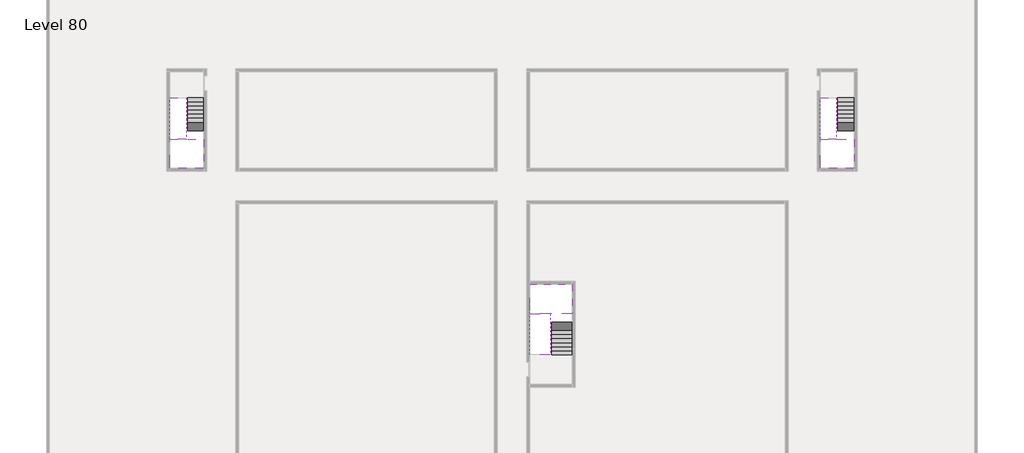
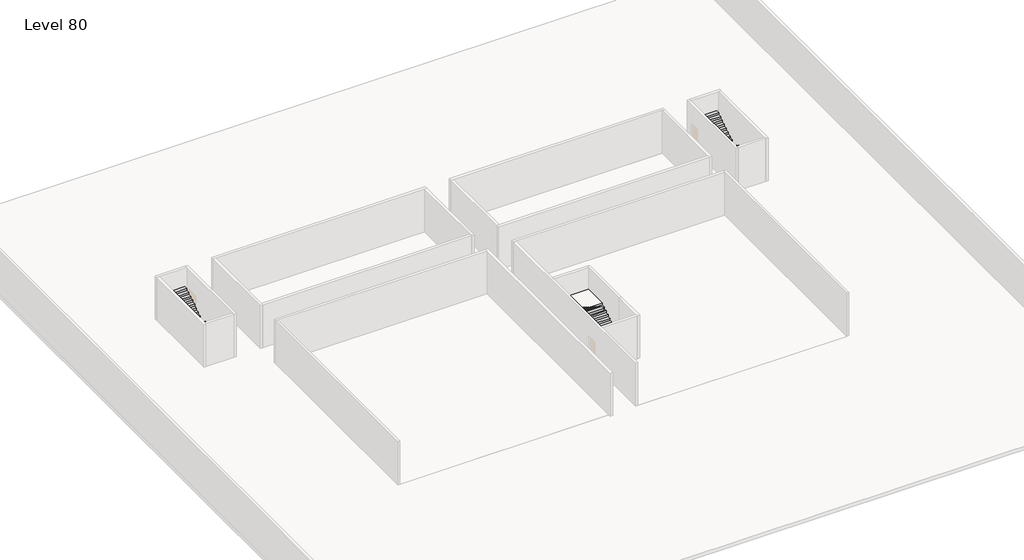
# One storey, part 2 of 2: 6 stair flights, 3 slabs.
"""IFC4 building model written with IfcOpenShell, lengths in millimetres."""

from ifc_helpers import new_model, si_unit, origin, place, context, project, spatial, faceted_brep, element, save

model = new_model("IFC4")

# Units and contexts
model_context = context("Model", 3, world=origin())
ifc_project = project(units=[si_unit("LENGTHUNIT", "METRE", prefix="MILLI")], contexts=[model_context])

# Site, building, storey
site = spatial("IfcSite", under=ifc_project)
building = spatial("IfcBuilding", under=site)
storey = spatial("IfcBuildingStorey", under=building, Name="Level 80", Elevation=300200.0)

# Slabs
placement = place(None, origin())
element("IfcSlab", 1, at=placement, inside=storey, context=model_context, shape_type="Brep", body=[
    faceted_brep([(3190.1058784, -28518.09644, 302100.0), (2090.1058784, -28518.09644, 302100.0), (1990.1058784, -28518.09644, 302100.0), (890.1058784, -28518.09644, 302100.0), (890.1058784, -28718.7100038, 302100.0), (890.1058784, -30518.09644, 302100.0), (3190.1058784, -30518.09644, 302100.0), (3190.1058784, -28597.4828763, 302100.0), (3190.1058784, -28518.09644, 301927.2727273), (3190.1058784, -28518.09644, 301751.0278478), (2090.1058784, -28518.09644, 301751.0278478), (2090.1058784, -28518.09644, 301800.0), (1990.1058784, -28518.09644, 301800.0), (1990.1058784, -28518.09644, 301923.7551205), (890.1058784, -28518.09644, 301923.7551205), (890.1058784, -28718.7100038, 301800.0), (890.1058784, -30518.09644, 301800.0), (3190.1058784, -30518.09644, 301800.0), (3190.1058784, -28597.4828763, 301800.0), (1990.1058784, -28718.7100038, 301800.0), (2090.1058784, -28597.4828763, 301800.0)], [[[0, 1, 2, 3, 4, 5, 6, 7]], [[1, 0, 8, 9, 10, 11]], [[2, 1, 11, 12, 13]], [[3, 2, 13, 14]], [[3, 14, 15, 16, 5, 4]], [[6, 5, 16, 17]], [[9, 8, 0, 7, 6, 17, 18]], [[19, 12, 11, 20, 18, 17, 16, 15]], [[12, 19, 13]], [[18, 20, 10, 9]], [[20, 11, 10]], [[19, 15, 14, 13]]]),
])
element("IfcSlab", 2, at=placement, inside=storey, context=model_context, shape_type="Brep", body=[
    faceted_brep([(47490.1058784, -28518.09644, 302100.0), (46390.1058784, -28518.09644, 302100.0), (46290.1058784, -28518.09644, 302100.0), (45190.1058784, -28518.09644, 302100.0), (45190.1058784, -28718.7100038, 302100.0), (45190.1058784, -30518.09644, 302100.0), (47490.1058784, -30518.09644, 302100.0), (47490.1058784, -28597.4828763, 302100.0), (47490.1058784, -28518.09644, 301927.2727273), (47490.1058784, -28518.09644, 301751.0278478), (46390.1058784, -28518.09644, 301751.0278478), (46390.1058784, -28518.09644, 301800.0), (46290.1058784, -28518.09644, 301800.0), (46290.1058784, -28518.09644, 301923.7551205), (45190.1058784, -28518.09644, 301923.7551205), (45190.1058784, -28718.7100038, 301800.0), (45190.1058784, -30518.09644, 301800.0), (47490.1058784, -30518.09644, 301800.0), (47490.1058784, -28597.4828763, 301800.0), (46290.1058784, -28718.7100038, 301800.0), (46390.1058784, -28597.4828763, 301800.0)], [[[0, 1, 2, 3, 4, 5, 6, 7]], [[1, 0, 8, 9, 10, 11]], [[2, 1, 11, 12, 13]], [[3, 2, 13, 14]], [[3, 14, 15, 16, 5, 4]], [[6, 5, 16, 17]], [[9, 8, 0, 7, 6, 17, 18]], [[19, 12, 11, 20, 18, 17, 16, 15]], [[12, 19, 13]], [[18, 20, 10, 9]], [[20, 11, 10]], [[19, 15, 14, 13]]]),
])
element("IfcSlab", 3, at=placement, inside=storey, context=model_context, shape_type="Brep", body=[
    faceted_brep([(26890.1058784, -40418.09644, 302100.0), (28290.1058784, -40418.09644, 302100.0), (28290.1058784, -40338.7100038, 302100.0), (28290.1058784, -38418.09644, 302100.0), (25390.1058784, -38418.09644, 302100.0), (25390.1058784, -40217.4828763, 302100.0), (25390.1058784, -40418.09644, 302100.0), (26790.1058784, -40418.09644, 302100.0), (26890.1058784, -40418.09644, 301800.0), (26890.1058784, -40418.09644, 301751.0278478), (28290.1058784, -40418.09644, 301751.0278478), (28290.1058784, -40418.09644, 301927.2727273), (28290.1058784, -40338.7100038, 301800.0), (28290.1058784, -38418.09644, 301800.0), (25390.1058784, -38418.09644, 301800.0), (25390.1058784, -40217.4828763, 301800.0), (25390.1058784, -40418.09644, 301923.7551205), (26790.1058784, -40418.09644, 301923.7551205), (26790.1058784, -40418.09644, 301800.0), (26790.1058784, -40217.4828763, 301800.0), (26890.1058784, -40338.7100038, 301800.0)], [[[0, 1, 2, 3, 4, 5, 6, 7]], [[1, 0, 8, 9, 10, 11]], [[1, 11, 10, 12, 13, 3, 2]], [[4, 3, 13, 14]], [[4, 14, 15, 16, 6, 5]], [[7, 6, 16, 17]], [[0, 7, 17, 18, 8]], [[18, 19, 15, 14, 13, 12, 20, 8]], [[19, 18, 17]], [[20, 12, 10, 9]], [[8, 20, 9]], [[15, 19, 17, 16]]]),
])

# Stair flights
element("IfcStairFlight", 4, at=placement, inside=storey, context=model_context, shape_type="Brep", body=[
    faceted_brep([(3190.1058784, -25998.09644, 300372.7272727), (3190.1058784, -25718.09644, 300372.7272727), (2090.1058784, -25718.09644, 300372.7272727), (2090.1058784, -25998.09644, 300372.7272727), (3190.1058784, -25998.09644, 300200.0), (3190.1058784, -25718.09644, 300200.0), (2090.1058784, -25718.09644, 300200.0), (2090.1058784, -25998.09644, 300200.0), (3190.1058784, -26278.09644, 300545.4545455), (3190.1058784, -25998.09644, 300545.4545455), (2090.1058784, -25998.09644, 300545.4545455), (2090.1058784, -26278.09644, 300545.4545455), (3190.1058784, -26278.09644, 300369.209666), (3190.1058784, -26003.7986657, 300200.0), (2090.1058784, -26003.7986657, 300200.0), (2090.1058784, -26278.09644, 300369.209666), (3190.1058784, -26558.09644, 300718.1818182), (3190.1058784, -26278.09644, 300718.1818182), (2090.1058784, -26278.09644, 300718.1818182), (2090.1058784, -26558.09644, 300718.1818182), (3190.1058784, -26558.09644, 300541.9369387), (2090.1058784, -26558.09644, 300541.9369387), (3190.1058784, -26838.09644, 300890.9090909), (3190.1058784, -26558.09644, 300890.9090909), (2090.1058784, -26558.09644, 300890.9090909), (2090.1058784, -26838.09644, 300890.9090909), (3190.1058784, -26838.09644, 300714.6642114), (2090.1058784, -26838.09644, 300714.6642114), (3190.1058784, -27118.09644, 301063.6363636), (3190.1058784, -26838.09644, 301063.6363636), (2090.1058784, -26838.09644, 301063.6363636), (2090.1058784, -27118.09644, 301063.6363636), (3190.1058784, -27118.09644, 300887.3914841), (2090.1058784, -27118.09644, 300887.3914841), (3190.1058784, -27398.09644, 301236.3636364), (3190.1058784, -27118.09644, 301236.3636364), (2090.1058784, -27118.09644, 301236.3636364), (2090.1058784, -27398.09644, 301236.3636364), (3190.1058784, -27398.09644, 301060.1187569), (2090.1058784, -27398.09644, 301060.1187569), (3190.1058784, -27678.09644, 301409.0909091), (3190.1058784, -27398.09644, 301409.0909091), (2090.1058784, -27398.09644, 301409.0909091), (2090.1058784, -27678.09644, 301409.0909091), (3190.1058784, -27678.09644, 301232.8460296), (2090.1058784, -27678.09644, 301232.8460296), (3190.1058784, -27958.09644, 301581.8181818), (3190.1058784, -27678.09644, 301581.8181818), (2090.1058784, -27678.09644, 301581.8181818), (2090.1058784, -27958.09644, 301581.8181818), (3190.1058784, -27958.09644, 301405.5733023), (2090.1058784, -27958.09644, 301405.5733023), (3190.1058784, -28238.09644, 301754.5454545), (3190.1058784, -27958.09644, 301754.5454545), (2090.1058784, -27958.09644, 301754.5454545), (2090.1058784, -28238.09644, 301754.5454545), (3190.1058784, -28238.09644, 301578.3005751), (2090.1058784, -28238.09644, 301578.3005751), (3190.1058784, -28518.09644, 301927.2727273), (3190.1058784, -28238.09644, 301927.2727273), (2090.1058784, -28238.09644, 301927.2727273), (2090.1058784, -28518.09644, 301927.2727273), (3190.1058784, -28518.09644, 301751.0278478), (2090.1058784, -28518.09644, 301751.0278478), (2090.1058784, -28518.09644, 301800.0)], [[[0, 1, 2, 3]], [[1, 0, 4, 5]], [[2, 1, 5, 6]], [[3, 2, 6, 7]], [[8, 9, 10, 11]], [[4, 0, 9, 8, 12, 13]], [[0, 3, 10, 9]], [[3, 7, 14, 15, 11, 10]], [[16, 17, 18, 19]], [[17, 16, 20, 12, 8]], [[8, 11, 18, 17]], [[19, 18, 11, 15, 21]], [[22, 23, 24, 25]], [[23, 22, 26, 20, 16]], [[16, 19, 24, 23]], [[25, 24, 19, 21, 27]], [[28, 29, 30, 31]], [[29, 28, 32, 26, 22]], [[22, 25, 30, 29]], [[31, 30, 25, 27, 33]], [[34, 35, 36, 37]], [[35, 34, 38, 32, 28]], [[28, 31, 36, 35]], [[37, 36, 31, 33, 39]], [[40, 41, 42, 43]], [[41, 40, 44, 38, 34]], [[34, 37, 42, 41]], [[43, 42, 37, 39, 45]], [[46, 47, 48, 49]], [[47, 46, 50, 44, 40]], [[40, 43, 48, 47]], [[49, 48, 43, 45, 51]], [[52, 53, 54, 55]], [[53, 52, 56, 50, 46]], [[46, 49, 54, 53]], [[55, 54, 49, 51, 57]], [[58, 59, 60, 61]], [[59, 58, 62, 56, 52]], [[52, 55, 60, 59]], [[61, 60, 55, 57, 63, 64]], [[58, 61, 64, 63, 62]], [[5, 4, 13, 14, 7, 6]], [[14, 13, 12, 20, 26, 32, 38, 44, 50, 56, 62, 63, 57, 51, 45, 39, 33, 27, 21, 15]]]),
])
element("IfcStairFlight", 5, at=placement, inside=storey, context=model_context, shape_type="Brep", body=[
    faceted_brep([(890.1058784, -28238.09644, 302272.7272727), (890.1058784, -28518.09644, 302272.7272727), (1990.1058784, -28518.09644, 302272.7272727), (1990.1058784, -28238.09644, 302272.7272727), (890.1058784, -28238.09644, 302096.4823932), (890.1058784, -28518.09644, 301923.7551205), (890.1058784, -28518.09644, 302100.0), (1990.1058784, -28518.09644, 301923.7551205), (1990.1058784, -28238.09644, 302096.4823932), (890.1058784, -27958.09644, 302445.4545455), (890.1058784, -28238.09644, 302445.4545455), (1990.1058784, -28238.09644, 302445.4545455), (1990.1058784, -27958.09644, 302445.4545455), (890.1058784, -27958.09644, 302269.209666), (1990.1058784, -27958.09644, 302269.209666), (890.1058784, -27678.09644, 302618.1818182), (890.1058784, -27958.09644, 302618.1818182), (1990.1058784, -27958.09644, 302618.1818182), (1990.1058784, -27678.09644, 302618.1818182), (890.1058784, -27678.09644, 302441.9369387), (1990.1058784, -27678.09644, 302441.9369387), (890.1058784, -27398.09644, 302790.9090909), (890.1058784, -27678.09644, 302790.9090909), (1990.1058784, -27678.09644, 302790.9090909), (1990.1058784, -27398.09644, 302790.9090909), (890.1058784, -27398.09644, 302614.6642114), (1990.1058784, -27398.09644, 302614.6642114), (890.1058784, -27118.09644, 302963.6363636), (890.1058784, -27398.09644, 302963.6363636), (1990.1058784, -27398.09644, 302963.6363636), (1990.1058784, -27118.09644, 302963.6363636), (890.1058784, -27118.09644, 302787.3914841), (1990.1058784, -27118.09644, 302787.3914841), (890.1058784, -26838.09644, 303136.3636364), (890.1058784, -27118.09644, 303136.3636364), (1990.1058784, -27118.09644, 303136.3636364), (1990.1058784, -26838.09644, 303136.3636364), (890.1058784, -26838.09644, 302960.1187569), (1990.1058784, -26838.09644, 302960.1187569), (890.1058784, -26558.09644, 303309.0909091), (890.1058784, -26838.09644, 303309.0909091), (1990.1058784, -26838.09644, 303309.0909091), (1990.1058784, -26558.09644, 303309.0909091), (890.1058784, -26558.09644, 303132.8460296), (1990.1058784, -26558.09644, 303132.8460296), (890.1058784, -26278.09644, 303481.8181818), (890.1058784, -26558.09644, 303481.8181818), (1990.1058784, -26558.09644, 303481.8181818), (1990.1058784, -26278.09644, 303481.8181818), (890.1058784, -26278.09644, 303305.5733023), (1990.1058784, -26278.09644, 303305.5733023), (890.1058784, -25998.09644, 303654.5454545), (890.1058784, -26278.09644, 303654.5454545), (1990.1058784, -26278.09644, 303654.5454545), (1990.1058784, -25998.09644, 303654.5454545), (890.1058784, -25998.09644, 303478.3005751), (1990.1058784, -25998.09644, 303478.3005751), (890.1058784, -25718.09644, 303827.2727273), (890.1058784, -25998.09644, 303827.2727273), (1990.1058784, -25998.09644, 303827.2727273), (1990.1058784, -25718.09644, 303827.2727273), (890.1058784, -25718.09644, 303651.0278478), (1990.1058784, -25718.09644, 303651.0278478)], [[[0, 1, 2, 3]], [[1, 0, 4, 5, 6]], [[2, 1, 6, 5, 7]], [[3, 2, 7, 8]], [[9, 10, 11, 12]], [[10, 9, 13, 4, 0]], [[11, 10, 0, 3]], [[12, 11, 3, 8, 14]], [[15, 16, 17, 18]], [[16, 15, 19, 13, 9]], [[17, 16, 9, 12]], [[18, 17, 12, 14, 20]], [[21, 22, 23, 24]], [[22, 21, 25, 19, 15]], [[23, 22, 15, 18]], [[24, 23, 18, 20, 26]], [[27, 28, 29, 30]], [[28, 27, 31, 25, 21]], [[29, 28, 21, 24]], [[30, 29, 24, 26, 32]], [[33, 34, 35, 36]], [[34, 33, 37, 31, 27]], [[35, 34, 27, 30]], [[36, 35, 30, 32, 38]], [[39, 40, 41, 42]], [[40, 39, 43, 37, 33]], [[41, 40, 33, 36]], [[42, 41, 36, 38, 44]], [[45, 46, 47, 48]], [[46, 45, 49, 43, 39]], [[47, 46, 39, 42]], [[48, 47, 42, 44, 50]], [[51, 52, 53, 54]], [[52, 51, 55, 49, 45]], [[53, 52, 45, 48]], [[54, 53, 48, 50, 56]], [[57, 58, 59, 60]], [[58, 57, 61, 55, 51]], [[59, 58, 51, 54]], [[60, 59, 54, 56, 62]], [[57, 60, 62, 61]], [[5, 4, 13, 19, 25, 31, 37, 43, 49, 55, 61, 62, 56, 50, 44, 38, 32, 26, 20, 14, 8, 7]]]),
])
element("IfcStairFlight", 6, at=placement, inside=storey, context=model_context, shape_type="Brep", body=[
    faceted_brep([(47490.1058784, -25998.09644, 300372.7272727), (47490.1058784, -25718.09644, 300372.7272727), (46390.1058784, -25718.09644, 300372.7272727), (46390.1058784, -25998.09644, 300372.7272727), (47490.1058784, -25998.09644, 300200.0), (47490.1058784, -25718.09644, 300200.0), (46390.1058784, -25718.09644, 300200.0), (46390.1058784, -25998.09644, 300200.0), (47490.1058784, -26278.09644, 300545.4545455), (47490.1058784, -25998.09644, 300545.4545455), (46390.1058784, -25998.09644, 300545.4545455), (46390.1058784, -26278.09644, 300545.4545455), (47490.1058784, -26278.09644, 300369.209666), (47490.1058784, -26003.7986657, 300200.0), (46390.1058784, -26003.7986657, 300200.0), (46390.1058784, -26278.09644, 300369.209666), (47490.1058784, -26558.09644, 300718.1818182), (47490.1058784, -26278.09644, 300718.1818182), (46390.1058784, -26278.09644, 300718.1818182), (46390.1058784, -26558.09644, 300718.1818182), (47490.1058784, -26558.09644, 300541.9369387), (46390.1058784, -26558.09644, 300541.9369387), (47490.1058784, -26838.09644, 300890.9090909), (47490.1058784, -26558.09644, 300890.9090909), (46390.1058784, -26558.09644, 300890.9090909), (46390.1058784, -26838.09644, 300890.9090909), (47490.1058784, -26838.09644, 300714.6642114), (46390.1058784, -26838.09644, 300714.6642114), (47490.1058784, -27118.09644, 301063.6363636), (47490.1058784, -26838.09644, 301063.6363636), (46390.1058784, -26838.09644, 301063.6363636), (46390.1058784, -27118.09644, 301063.6363636), (47490.1058784, -27118.09644, 300887.3914841), (46390.1058784, -27118.09644, 300887.3914841), (47490.1058784, -27398.09644, 301236.3636364), (47490.1058784, -27118.09644, 301236.3636364), (46390.1058784, -27118.09644, 301236.3636364), (46390.1058784, -27398.09644, 301236.3636364), (47490.1058784, -27398.09644, 301060.1187569), (46390.1058784, -27398.09644, 301060.1187569), (47490.1058784, -27678.09644, 301409.0909091), (47490.1058784, -27398.09644, 301409.0909091), (46390.1058784, -27398.09644, 301409.0909091), (46390.1058784, -27678.09644, 301409.0909091), (47490.1058784, -27678.09644, 301232.8460296), (46390.1058784, -27678.09644, 301232.8460296), (47490.1058784, -27958.09644, 301581.8181818), (47490.1058784, -27678.09644, 301581.8181818), (46390.1058784, -27678.09644, 301581.8181818), (46390.1058784, -27958.09644, 301581.8181818), (47490.1058784, -27958.09644, 301405.5733023), (46390.1058784, -27958.09644, 301405.5733023), (47490.1058784, -28238.09644, 301754.5454545), (47490.1058784, -27958.09644, 301754.5454545), (46390.1058784, -27958.09644, 301754.5454545), (46390.1058784, -28238.09644, 301754.5454545), (47490.1058784, -28238.09644, 301578.3005751), (46390.1058784, -28238.09644, 301578.3005751), (47490.1058784, -28518.09644, 301927.2727273), (47490.1058784, -28238.09644, 301927.2727273), (46390.1058784, -28238.09644, 301927.2727273), (46390.1058784, -28518.09644, 301927.2727273), (47490.1058784, -28518.09644, 301751.0278478), (46390.1058784, -28518.09644, 301751.0278478), (46390.1058784, -28518.09644, 301800.0)], [[[0, 1, 2, 3]], [[1, 0, 4, 5]], [[2, 1, 5, 6]], [[3, 2, 6, 7]], [[8, 9, 10, 11]], [[4, 0, 9, 8, 12, 13]], [[0, 3, 10, 9]], [[3, 7, 14, 15, 11, 10]], [[16, 17, 18, 19]], [[17, 16, 20, 12, 8]], [[8, 11, 18, 17]], [[19, 18, 11, 15, 21]], [[22, 23, 24, 25]], [[23, 22, 26, 20, 16]], [[16, 19, 24, 23]], [[25, 24, 19, 21, 27]], [[28, 29, 30, 31]], [[29, 28, 32, 26, 22]], [[22, 25, 30, 29]], [[31, 30, 25, 27, 33]], [[34, 35, 36, 37]], [[35, 34, 38, 32, 28]], [[28, 31, 36, 35]], [[37, 36, 31, 33, 39]], [[40, 41, 42, 43]], [[41, 40, 44, 38, 34]], [[34, 37, 42, 41]], [[43, 42, 37, 39, 45]], [[46, 47, 48, 49]], [[47, 46, 50, 44, 40]], [[40, 43, 48, 47]], [[49, 48, 43, 45, 51]], [[52, 53, 54, 55]], [[53, 52, 56, 50, 46]], [[46, 49, 54, 53]], [[55, 54, 49, 51, 57]], [[58, 59, 60, 61]], [[59, 58, 62, 56, 52]], [[52, 55, 60, 59]], [[61, 60, 55, 57, 63, 64]], [[58, 61, 64, 63, 62]], [[5, 4, 13, 14, 7, 6]], [[14, 13, 12, 20, 26, 32, 38, 44, 50, 56, 62, 63, 57, 51, 45, 39, 33, 27, 21, 15]]]),
])
element("IfcStairFlight", 7, at=placement, inside=storey, context=model_context, shape_type="Brep", body=[
    faceted_brep([(45190.1058784, -28238.09644, 302272.7272727), (45190.1058784, -28518.09644, 302272.7272727), (46290.1058784, -28518.09644, 302272.7272727), (46290.1058784, -28238.09644, 302272.7272727), (45190.1058784, -28238.09644, 302096.4823932), (45190.1058784, -28518.09644, 301923.7551205), (45190.1058784, -28518.09644, 302100.0), (46290.1058784, -28518.09644, 301923.7551205), (46290.1058784, -28238.09644, 302096.4823932), (45190.1058784, -27958.09644, 302445.4545455), (45190.1058784, -28238.09644, 302445.4545455), (46290.1058784, -28238.09644, 302445.4545455), (46290.1058784, -27958.09644, 302445.4545455), (45190.1058784, -27958.09644, 302269.209666), (46290.1058784, -27958.09644, 302269.209666), (45190.1058784, -27678.09644, 302618.1818182), (45190.1058784, -27958.09644, 302618.1818182), (46290.1058784, -27958.09644, 302618.1818182), (46290.1058784, -27678.09644, 302618.1818182), (45190.1058784, -27678.09644, 302441.9369387), (46290.1058784, -27678.09644, 302441.9369387), (45190.1058784, -27398.09644, 302790.9090909), (45190.1058784, -27678.09644, 302790.9090909), (46290.1058784, -27678.09644, 302790.9090909), (46290.1058784, -27398.09644, 302790.9090909), (45190.1058784, -27398.09644, 302614.6642114), (46290.1058784, -27398.09644, 302614.6642114), (45190.1058784, -27118.09644, 302963.6363636), (45190.1058784, -27398.09644, 302963.6363636), (46290.1058784, -27398.09644, 302963.6363636), (46290.1058784, -27118.09644, 302963.6363636), (45190.1058784, -27118.09644, 302787.3914841), (46290.1058784, -27118.09644, 302787.3914841), (45190.1058784, -26838.09644, 303136.3636364), (45190.1058784, -27118.09644, 303136.3636364), (46290.1058784, -27118.09644, 303136.3636364), (46290.1058784, -26838.09644, 303136.3636364), (45190.1058784, -26838.09644, 302960.1187569), (46290.1058784, -26838.09644, 302960.1187569), (45190.1058784, -26558.09644, 303309.0909091), (45190.1058784, -26838.09644, 303309.0909091), (46290.1058784, -26838.09644, 303309.0909091), (46290.1058784, -26558.09644, 303309.0909091), (45190.1058784, -26558.09644, 303132.8460296), (46290.1058784, -26558.09644, 303132.8460296), (45190.1058784, -26278.09644, 303481.8181818), (45190.1058784, -26558.09644, 303481.8181818), (46290.1058784, -26558.09644, 303481.8181818), (46290.1058784, -26278.09644, 303481.8181818), (45190.1058784, -26278.09644, 303305.5733023), (46290.1058784, -26278.09644, 303305.5733023), (45190.1058784, -25998.09644, 303654.5454545), (45190.1058784, -26278.09644, 303654.5454545), (46290.1058784, -26278.09644, 303654.5454545), (46290.1058784, -25998.09644, 303654.5454545), (45190.1058784, -25998.09644, 303478.3005751), (46290.1058784, -25998.09644, 303478.3005751), (45190.1058784, -25718.09644, 303827.2727273), (45190.1058784, -25998.09644, 303827.2727273), (46290.1058784, -25998.09644, 303827.2727273), (46290.1058784, -25718.09644, 303827.2727273), (45190.1058784, -25718.09644, 303651.0278478), (46290.1058784, -25718.09644, 303651.0278478)], [[[0, 1, 2, 3]], [[1, 0, 4, 5, 6]], [[2, 1, 6, 5, 7]], [[3, 2, 7, 8]], [[9, 10, 11, 12]], [[10, 9, 13, 4, 0]], [[11, 10, 0, 3]], [[12, 11, 3, 8, 14]], [[15, 16, 17, 18]], [[16, 15, 19, 13, 9]], [[17, 16, 9, 12]], [[18, 17, 12, 14, 20]], [[21, 22, 23, 24]], [[22, 21, 25, 19, 15]], [[23, 22, 15, 18]], [[24, 23, 18, 20, 26]], [[27, 28, 29, 30]], [[28, 27, 31, 25, 21]], [[29, 28, 21, 24]], [[30, 29, 24, 26, 32]], [[33, 34, 35, 36]], [[34, 33, 37, 31, 27]], [[35, 34, 27, 30]], [[36, 35, 30, 32, 38]], [[39, 40, 41, 42]], [[40, 39, 43, 37, 33]], [[41, 40, 33, 36]], [[42, 41, 36, 38, 44]], [[45, 46, 47, 48]], [[46, 45, 49, 43, 39]], [[47, 46, 39, 42]], [[48, 47, 42, 44, 50]], [[51, 52, 53, 54]], [[52, 51, 55, 49, 45]], [[53, 52, 45, 48]], [[54, 53, 48, 50, 56]], [[57, 58, 59, 60]], [[58, 57, 61, 55, 51]], [[59, 58, 51, 54]], [[60, 59, 54, 56, 62]], [[57, 60, 62, 61]], [[5, 4, 13, 19, 25, 31, 37, 43, 49, 55, 61, 62, 56, 50, 44, 38, 32, 26, 20, 14, 8, 7]]]),
])
element("IfcStairFlight", 8, at=placement, inside=storey, context=model_context, shape_type="Brep", body=[
    faceted_brep([(26890.1058784, -42938.09644, 300372.7272727), (26890.1058784, -43218.09644, 300372.7272727), (28290.1058784, -43218.09644, 300372.7272727), (28290.1058784, -42938.09644, 300372.7272727), (26890.1058784, -42938.09644, 300200.0), (26890.1058784, -43218.09644, 300200.0), (28290.1058784, -43218.09644, 300200.0), (28290.1058784, -42938.09644, 300200.0), (26890.1058784, -42658.09644, 300545.4545455), (26890.1058784, -42938.09644, 300545.4545455), (28290.1058784, -42938.09644, 300545.4545455), (28290.1058784, -42658.09644, 300545.4545455), (26890.1058784, -42658.09644, 300369.209666), (26890.1058784, -42932.3942143, 300200.0), (28290.1058784, -42932.3942143, 300200.0), (28290.1058784, -42658.09644, 300369.209666), (26890.1058784, -42378.09644, 300718.1818182), (26890.1058784, -42658.09644, 300718.1818182), (28290.1058784, -42658.09644, 300718.1818182), (28290.1058784, -42378.09644, 300718.1818182), (26890.1058784, -42378.09644, 300541.9369387), (28290.1058784, -42378.09644, 300541.9369387), (26890.1058784, -42098.09644, 300890.9090909), (26890.1058784, -42378.09644, 300890.9090909), (28290.1058784, -42378.09644, 300890.9090909), (28290.1058784, -42098.09644, 300890.9090909), (26890.1058784, -42098.09644, 300714.6642114), (28290.1058784, -42098.09644, 300714.6642114), (26890.1058784, -41818.09644, 301063.6363636), (26890.1058784, -42098.09644, 301063.6363636), (28290.1058784, -42098.09644, 301063.6363636), (28290.1058784, -41818.09644, 301063.6363636), (26890.1058784, -41818.09644, 300887.3914841), (28290.1058784, -41818.09644, 300887.3914841), (26890.1058784, -41538.09644, 301236.3636364), (26890.1058784, -41818.09644, 301236.3636364), (28290.1058784, -41818.09644, 301236.3636364), (28290.1058784, -41538.09644, 301236.3636364), (26890.1058784, -41538.09644, 301060.1187569), (28290.1058784, -41538.09644, 301060.1187569), (26890.1058784, -41258.09644, 301409.0909091), (26890.1058784, -41538.09644, 301409.0909091), (28290.1058784, -41538.09644, 301409.0909091), (28290.1058784, -41258.09644, 301409.0909091), (26890.1058784, -41258.09644, 301232.8460296), (28290.1058784, -41258.09644, 301232.8460296), (26890.1058784, -40978.09644, 301581.8181818), (26890.1058784, -41258.09644, 301581.8181818), (28290.1058784, -41258.09644, 301581.8181818), (28290.1058784, -40978.09644, 301581.8181818), (26890.1058784, -40978.09644, 301405.5733023), (28290.1058784, -40978.09644, 301405.5733023), (26890.1058784, -40698.09644, 301754.5454545), (26890.1058784, -40978.09644, 301754.5454545), (28290.1058784, -40978.09644, 301754.5454545), (28290.1058784, -40698.09644, 301754.5454545), (26890.1058784, -40698.09644, 301578.3005751), (28290.1058784, -40698.09644, 301578.3005751), (26890.1058784, -40418.09644, 301927.2727273), (26890.1058784, -40698.09644, 301927.2727273), (28290.1058784, -40698.09644, 301927.2727273), (28290.1058784, -40418.09644, 301927.2727273), (26890.1058784, -40418.09644, 301800.0), (26890.1058784, -40418.09644, 301751.0278478), (28290.1058784, -40418.09644, 301751.0278478)], [[[0, 1, 2, 3]], [[1, 0, 4, 5]], [[2, 1, 5, 6]], [[3, 2, 6, 7]], [[8, 9, 10, 11]], [[4, 0, 9, 8, 12, 13]], [[0, 3, 10, 9]], [[3, 7, 14, 15, 11, 10]], [[16, 17, 18, 19]], [[17, 16, 20, 12, 8]], [[8, 11, 18, 17]], [[19, 18, 11, 15, 21]], [[22, 23, 24, 25]], [[23, 22, 26, 20, 16]], [[16, 19, 24, 23]], [[25, 24, 19, 21, 27]], [[28, 29, 30, 31]], [[29, 28, 32, 26, 22]], [[22, 25, 30, 29]], [[31, 30, 25, 27, 33]], [[34, 35, 36, 37]], [[35, 34, 38, 32, 28]], [[28, 31, 36, 35]], [[37, 36, 31, 33, 39]], [[40, 41, 42, 43]], [[41, 40, 44, 38, 34]], [[34, 37, 42, 41]], [[43, 42, 37, 39, 45]], [[46, 47, 48, 49]], [[47, 46, 50, 44, 40]], [[40, 43, 48, 47]], [[49, 48, 43, 45, 51]], [[52, 53, 54, 55]], [[53, 52, 56, 50, 46]], [[46, 49, 54, 53]], [[55, 54, 49, 51, 57]], [[58, 59, 60, 61]], [[59, 58, 62, 63, 56, 52]], [[52, 55, 60, 59]], [[61, 60, 55, 57, 64]], [[58, 61, 64, 63, 62]], [[5, 4, 13, 14, 7, 6]], [[14, 13, 12, 20, 26, 32, 38, 44, 50, 56, 63, 64, 57, 51, 45, 39, 33, 27, 21, 15]]]),
])
element("IfcStairFlight", 9, at=placement, inside=storey, context=model_context, shape_type="Brep", body=[
    faceted_brep([(26790.1058784, -40698.09644, 302272.7272727), (26790.1058784, -40418.09644, 302272.7272727), (25390.1058784, -40418.09644, 302272.7272727), (25390.1058784, -40698.09644, 302272.7272727), (26790.1058784, -40698.09644, 302096.4823932), (26790.1058784, -40418.09644, 301923.7551205), (25390.1058784, -40418.09644, 301923.7551205), (25390.1058784, -40418.09644, 302100.0), (25390.1058784, -40698.09644, 302096.4823932), (26790.1058784, -40978.09644, 302445.4545455), (26790.1058784, -40698.09644, 302445.4545455), (25390.1058784, -40698.09644, 302445.4545455), (25390.1058784, -40978.09644, 302445.4545455), (26790.1058784, -40978.09644, 302269.209666), (25390.1058784, -40978.09644, 302269.209666), (26790.1058784, -41258.09644, 302618.1818182), (26790.1058784, -40978.09644, 302618.1818182), (25390.1058784, -40978.09644, 302618.1818182), (25390.1058784, -41258.09644, 302618.1818182), (26790.1058784, -41258.09644, 302441.9369387), (25390.1058784, -41258.09644, 302441.9369387), (26790.1058784, -41538.09644, 302790.9090909), (26790.1058784, -41258.09644, 302790.9090909), (25390.1058784, -41258.09644, 302790.9090909), (25390.1058784, -41538.09644, 302790.9090909), (26790.1058784, -41538.09644, 302614.6642114), (25390.1058784, -41538.09644, 302614.6642114), (26790.1058784, -41818.09644, 302963.6363636), (26790.1058784, -41538.09644, 302963.6363636), (25390.1058784, -41538.09644, 302963.6363636), (25390.1058784, -41818.09644, 302963.6363636), (26790.1058784, -41818.09644, 302787.3914841), (25390.1058784, -41818.09644, 302787.3914841), (26790.1058784, -42098.09644, 303136.3636364), (26790.1058784, -41818.09644, 303136.3636364), (25390.1058784, -41818.09644, 303136.3636364), (25390.1058784, -42098.09644, 303136.3636364), (26790.1058784, -42098.09644, 302960.1187569), (25390.1058784, -42098.09644, 302960.1187569), (26790.1058784, -42378.09644, 303309.0909091), (26790.1058784, -42098.09644, 303309.0909091), (25390.1058784, -42098.09644, 303309.0909091), (25390.1058784, -42378.09644, 303309.0909091), (26790.1058784, -42378.09644, 303132.8460296), (25390.1058784, -42378.09644, 303132.8460296), (26790.1058784, -42658.09644, 303481.8181818), (26790.1058784, -42378.09644, 303481.8181818), (25390.1058784, -42378.09644, 303481.8181818), (25390.1058784, -42658.09644, 303481.8181818), (26790.1058784, -42658.09644, 303305.5733023), (25390.1058784, -42658.09644, 303305.5733023), (26790.1058784, -42938.09644, 303654.5454545), (26790.1058784, -42658.09644, 303654.5454545), (25390.1058784, -42658.09644, 303654.5454545), (25390.1058784, -42938.09644, 303654.5454545), (26790.1058784, -42938.09644, 303478.3005751), (25390.1058784, -42938.09644, 303478.3005751), (26790.1058784, -43218.09644, 303827.2727273), (26790.1058784, -42938.09644, 303827.2727273), (25390.1058784, -42938.09644, 303827.2727273), (25390.1058784, -43218.09644, 303827.2727273), (26790.1058784, -43218.09644, 303651.0278478), (25390.1058784, -43218.09644, 303651.0278478)], [[[0, 1, 2, 3]], [[1, 0, 4, 5]], [[2, 1, 5, 6, 7]], [[3, 2, 7, 6, 8]], [[9, 10, 11, 12]], [[10, 9, 13, 4, 0]], [[11, 10, 0, 3]], [[12, 11, 3, 8, 14]], [[15, 16, 17, 18]], [[16, 15, 19, 13, 9]], [[17, 16, 9, 12]], [[18, 17, 12, 14, 20]], [[21, 22, 23, 24]], [[22, 21, 25, 19, 15]], [[23, 22, 15, 18]], [[24, 23, 18, 20, 26]], [[27, 28, 29, 30]], [[28, 27, 31, 25, 21]], [[29, 28, 21, 24]], [[30, 29, 24, 26, 32]], [[33, 34, 35, 36]], [[34, 33, 37, 31, 27]], [[35, 34, 27, 30]], [[36, 35, 30, 32, 38]], [[39, 40, 41, 42]], [[40, 39, 43, 37, 33]], [[41, 40, 33, 36]], [[42, 41, 36, 38, 44]], [[45, 46, 47, 48]], [[46, 45, 49, 43, 39]], [[47, 46, 39, 42]], [[48, 47, 42, 44, 50]], [[51, 52, 53, 54]], [[52, 51, 55, 49, 45]], [[53, 52, 45, 48]], [[54, 53, 48, 50, 56]], [[57, 58, 59, 60]], [[58, 57, 61, 55, 51]], [[59, 58, 51, 54]], [[60, 59, 54, 56, 62]], [[57, 60, 62, 61]], [[5, 4, 13, 19, 25, 31, 37, 43, 49, 55, 61, 62, 56, 50, 44, 38, 32, 26, 20, 14, 8, 6]]]),
])

save(model, "model.ifc")
